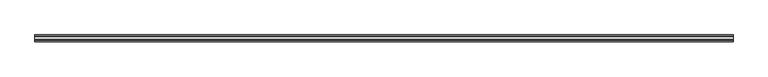
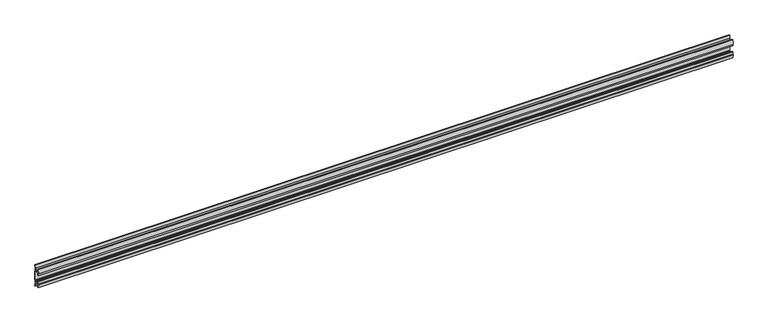
"""IFC4 building model written with IfcOpenShell, lengths in millimetres: furniture geometry."""

from ifc_helpers import new_model, si_unit, point, frame, frame_2d, origin, place, context, project, spatial, polyline, circle_curve, trimmed, segment, composite_curve, outline, extrude, source, transform, mapped, element, save


def furniture_a8ea84aa(model_context):
    return source(origin(), model_context, "Body", "SweptSolid", [
        extrude(outline(composite_curve([segment(polyline([(11.858323, 893.5710186), (10.7166987, 887.6115826)]), True, "CONTINUOUS"), segment(trimmed(circle_curve(frame_2d((88.1501042, 872.777988)), 78.8414093), [point((10.7166987, 887.6115826))], [point((9.4546262, 877.5727312))], True, "CARTESIAN"), True, "CONTINUOUS"), segment(polyline([(9.4546262, 877.5727312), (11.4773198, 875.5500377), (11.4773198, 842.6228023), (9.4546262, 840.6001088)]), True, "CONTINUOUS"), segment(trimmed(circle_curve(frame_2d((88.1501042, 845.394852)), 78.8414093), [point((9.4546262, 840.6001088))], [point((10.7166987, 830.5612574))], True, "CARTESIAN"), True, "CONTINUOUS"), segment(polyline([(10.7166987, 830.5612574), (11.858323, 824.6018214), (11.858323, 820.9870649), (9.3183016, 820.9870649), (7.5671861, 830.128129), (6.9977776, 836.8218875), (-5.9218281, 836.8218875), (-5.9218281, 826.2569649), (-8.4618484, 826.2569649), (-11.7914971, 839.7654662), (-8.4618484, 838.7665711), (-8.4618484, 848.2916506), (-5.9218281, 848.2916506), (-5.9218281, 839.401575), (6.7782802, 839.401575), (6.7782802, 841.956109), (8.8976323, 843.7984336), (8.8976323, 874.3774548), (6.7782802, 876.2318885), (-5.2868484, 876.2318885), (-5.2868484, 869.8818344), (-8.4618484, 869.8818344), (-8.4618484, 879.4069139), (-11.858323, 878.1369037), (-8.4618484, 891.91652), (-5.2868484, 891.91652), (-5.2868484, 878.7719099), (6.7782802, 878.7719099), (7.5671861, 888.0460009), (9.3183016, 897.1870649), (11.858323, 897.1870649), (11.858323, 893.5710186)]), True, "CONTINUOUS")], self_intersect=False)), frame((-1193.8, 0.0, 0.0), z_axis=(1.0, 0.0, 0.0), x_axis=(0.0, 1.0, 0.0)), (0.0, 0.0, 1.0), 2387.6),
    ])


if __name__ == "__main__":
    model = new_model("IFC4")
    model_context = context("Model", 3, world=origin())
    ifc_project = project(units=[si_unit("LENGTHUNIT", "METRE", prefix="MILLI")], contexts=[model_context])
    site = spatial("IfcSite", under=ifc_project)
    building = spatial("IfcBuilding", under=site)
    placement = place(None, origin())
    furniture_shape = furniture_a8ea84aa(model_context)
    element("IfcFurniture", 1, at=placement, inside=building, context=model_context, shape_type="MappedRepresentation", body=[
        mapped(furniture_shape, transform((0.0, 0.0, 0.0), x_axis=(1.0, 0.0, 0.0), y_axis=(0.0, 1.0, 0.0), z_axis=(0.0, 0.0, 1.0))),
    ])
    save(model, "model.ifc")
